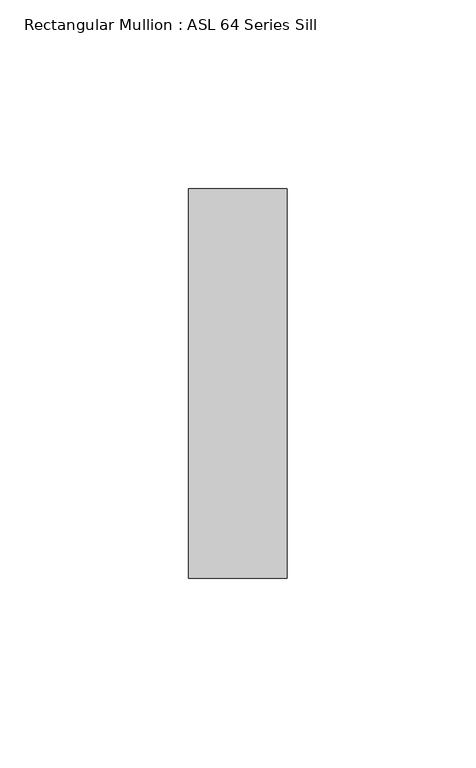
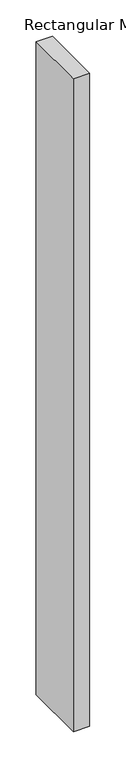
"""IFC4 building model written with IfcOpenShell, lengths in millimetres: member geometry, Rectangular Mullion : ASL 64 Series Sill."""

from ifc_helpers import new_model, si_unit, frame, origin, place, context, project, spatial, polyline, outline, extrude, source, transform, mapped, element, save


def rectangular_mullion_asl_64_series_sill_c8111197(model_context):
    return source(origin(), model_context, "Body", "SweptSolid", [
        extrude(outline(polyline([(0.0, 51.5), (0.0, -51.5), (-26.0, -51.5), (-26.0, 51.5), (0.0, 51.5)])), frame((0.0, 0.0, -1100.0), z_axis=(0.0, 0.0, 1.0), x_axis=(1.0, 0.0, 0.0)), (0.0, 0.0, 1.0), 1100.0),
    ])


if __name__ == "__main__":
    model = new_model("IFC4")
    model_context = context("Model", 3, world=origin())
    ifc_project = project(units=[si_unit("LENGTHUNIT", "METRE", prefix="MILLI")], contexts=[model_context])
    site = spatial("IfcSite", under=ifc_project)
    building = spatial("IfcBuilding", under=site)
    placement = place(None, origin())
    rectangular_mullion_asl_64_series_sill_shape = rectangular_mullion_asl_64_series_sill_c8111197(model_context)
    element("IfcMember", 1, ObjectType="Rectangular Mullion : ASL 64 Series Sill", at=placement, inside=building, context=model_context, shape_type="MappedRepresentation", body=[
        mapped(rectangular_mullion_asl_64_series_sill_shape, transform((0.0, 0.0, 0.0), x_axis=(1.0, 0.0, 0.0), y_axis=(0.0, 1.0, 0.0), z_axis=(0.0, 0.0, 1.0))),
    ])
    save(model, "model.ifc")
